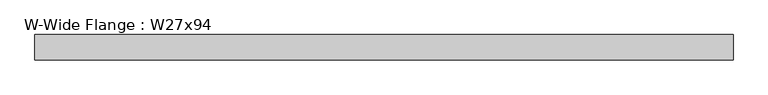
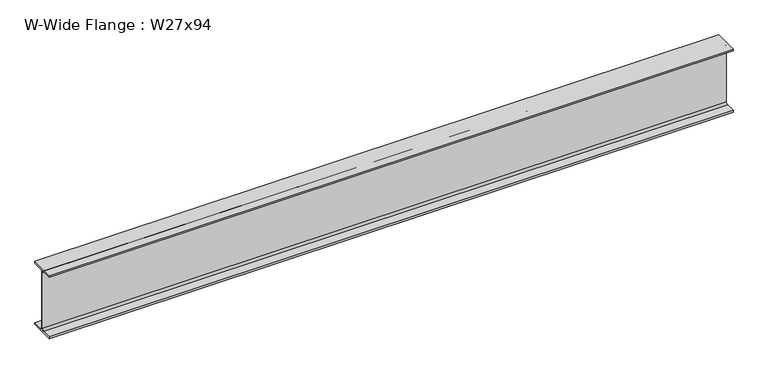
"""IFC4 building model written with IfcOpenShell, lengths in millimetres: beam geometry, W-Wide Flange : W27x94."""

import ifcopenshell
import ifcopenshell.guid

model = None  # the IFC model being written
_history = None  # IfcOwnerHistory: only IFC2X3 demands one
_inside = {}  # id of a spatial element -> (the spatial element, [elements in it])
_under = {}  # id of a project, library or spatial element -> (it, [spatial elements below it])
_declared = {}  # id of a project -> (the project, [libraries it declares])
_typed = {}  # id of a type object -> (the type object, [elements of that type])
_made_of = {}  # id of a material, layer set ... -> (it, [elements and type objects made of it])


def new_model(schema):
    """Start an empty IFC model of exactly this schema.

    Asked for "IFC4X3", IfcOpenShell would pick the latest addendum, in which some entities
    have other attributes; the version numbers below select the first issue.
    IFC2X3 requires an IfcOwnerHistory on every rooted entity: one is made here for all.
    """
    global model, _history
    if schema == "IFC4X3":
        model = ifcopenshell.file(schema_version=(4, 3, 0, 0))
    else:
        model = ifcopenshell.file(schema=schema)
    _inside.clear()
    _under.clear()
    _declared.clear()
    _typed.clear()
    _made_of.clear()
    _history = None
    if model.schema == "IFC2X3":
        org = make("IfcOrganization", Name="unknown")
        user = make(
            "IfcPersonAndOrganization",
            ThePerson=make("IfcPerson", FamilyName="unknown"),
            TheOrganization=org,
        )
        app = make(
            "IfcApplication",
            ApplicationDeveloper=org,
            Version="unknown",
            ApplicationFullName="unknown",
            ApplicationIdentifier="unknown",
        )
        _history = make(
            "IfcOwnerHistory",
            OwningUser=user,
            OwningApplication=app,
            ChangeAction="ADDED",
            CreationDate=0,
        )
    return model


def make(cls, **values):
    """One entity of the class cls with the attributes given. An attribute that is None is left unset."""
    return model.create_entity(
        cls, **{name: value for name, value in values.items() if value is not None}
    )


def rooted(cls, **values):
    """An entity with a GlobalId (a new one), such as an element, a storey or a relation."""
    return make(cls, GlobalId=ifcopenshell.guid.new(), OwnerHistory=_history, **values)


def si_unit(unit_type, name, prefix=None):
    """IfcSIUnit, for example si_unit("LENGTHUNIT", "METRE", prefix="MILLI")."""
    return make("IfcSIUnit", UnitType=unit_type, Prefix=prefix, Name=name)


def assignment(units):
    """IfcUnitAssignment: the units of a project."""
    return None if units is None else make("IfcUnitAssignment", Units=units)


def point(xyz):
    """IfcCartesianPoint."""
    return None if xyz is None else make("IfcCartesianPoint", Coordinates=xyz)


def direction(xyz):
    """IfcDirection."""
    return None if xyz is None else make("IfcDirection", DirectionRatios=xyz)


def frame(location, z_axis=None, x_axis=None):
    """IfcAxis2Placement3D, a coordinate frame: its origin and axes. An axis left out is left unset."""
    return make(
        "IfcAxis2Placement3D",
        Location=point(location),
        Axis=direction(z_axis),
        RefDirection=direction(x_axis),
    )


def frame_2d(location, x_axis=None):
    """IfcAxis2Placement2D, a coordinate frame in the plane: its origin and x axis."""
    return make(
        "IfcAxis2Placement2D", Location=point(location), RefDirection=direction(x_axis)
    )


def origin():
    """The frame at (0, 0, 0) with its axes left unset."""
    return frame((0.0, 0.0, 0.0))


def place(relative_to, where):
    """IfcLocalPlacement: puts the frame where relative to a parent placement (None: the world)."""
    return make(
        "IfcLocalPlacement", PlacementRelTo=relative_to, RelativePlacement=where
    )


def context(
    kind, dimensions, precision=None, world=None, true_north=None, identifier=None
):
    """IfcGeometricRepresentationContext, for example the 3D "Model" context."""
    return make(
        "IfcGeometricRepresentationContext",
        ContextIdentifier=identifier,
        ContextType=kind,
        CoordinateSpaceDimension=dimensions,
        Precision=precision,
        WorldCoordinateSystem=world,
        TrueNorth=true_north,
    )


def project(units=None, contexts=None):
    """IfcProject with its units and contexts."""
    return rooted(
        "IfcProject",
        Name="project",
        RepresentationContexts=contexts,
        UnitsInContext=assignment(units),
    )


def spatial(cls, under=None, at=None, **own):
    """A site, building, storey or space (cls), placed at a placement, below another one or the project."""
    s = rooted(cls, ObjectPlacement=at, **own)
    if under is not None:
        _under.setdefault(under.id(), (under, []))[1].append(s)
    return s


def polyline(points):
    """IfcPolyline through the points."""
    return make("IfcPolyline", Points=[point(p) for p in points])


def circle_curve(where, radius):
    """IfcCircle in the frame where."""
    return make("IfcCircle", Position=where, Radius=radius)


def trimmed(basis, trim1, trim2, sense, master):
    """IfcTrimmedCurve: the piece of a basis curve between two trims."""
    return make(
        "IfcTrimmedCurve",
        BasisCurve=basis,
        Trim1=trim1,
        Trim2=trim2,
        SenseAgreement=sense,
        MasterRepresentation=master,
    )


def segment(curve, same_sense, transition):
    """IfcCompositeCurveSegment."""
    return make(
        "IfcCompositeCurveSegment",
        Transition=transition,
        SameSense=same_sense,
        ParentCurve=curve,
    )


def composite_curve(segments, self_intersect=None):
    """IfcCompositeCurve: segments joined end to end."""
    return make("IfcCompositeCurve", Segments=segments, SelfIntersect=self_intersect)


def outline(outer, holes=None, kind="AREA"):
    """IfcArbitraryClosedProfileDef: a profile drawn as a closed curve; with holes, ...WithVoids."""
    if holes is None:
        return make("IfcArbitraryClosedProfileDef", ProfileType=kind, OuterCurve=outer)
    return make(
        "IfcArbitraryProfileDefWithVoids",
        ProfileType=kind,
        OuterCurve=outer,
        InnerCurves=holes,
    )


def extrude(swept, where, along, depth):
    """IfcExtrudedAreaSolid: the profile swept, set in the frame where, extruded along a direction by depth."""
    return make(
        "IfcExtrudedAreaSolid",
        SweptArea=swept,
        Position=where,
        ExtrudedDirection=direction(along),
        Depth=depth,
    )


def shape(context_of_items, identifier, shape_type, items):
    """IfcShapeRepresentation: the items that make up one representation, for example the "Body"."""
    return make(
        "IfcShapeRepresentation",
        ContextOfItems=context_of_items,
        RepresentationIdentifier=identifier,
        RepresentationType=shape_type,
        Items=items,
    )


def source(mapping_origin, context_of_items, identifier, shape_type, items):
    """IfcRepresentationMap: a shape defined once, which mapped items show again and again."""
    return make(
        "IfcRepresentationMap",
        MappingOrigin=mapping_origin,
        MappedRepresentation=shape(context_of_items, identifier, shape_type, items),
    )


def transform(
    local_origin,
    x_axis=None,
    y_axis=None,
    z_axis=None,
    scale=None,
    scale2=None,
    scale3=None,
    uniform=True,
):
    """IfcCartesianTransformationOperator3D, or its non-uniform kind. x_axis, y_axis, z_axis: its Axis1, 2, 3."""
    if uniform:
        return make(
            "IfcCartesianTransformationOperator3D",
            Axis1=direction(x_axis),
            Axis2=direction(y_axis),
            LocalOrigin=point(local_origin),
            Scale=scale,
            Axis3=direction(z_axis),
        )
    return make(
        "IfcCartesianTransformationOperator3DnonUniform",
        Axis1=direction(x_axis),
        Axis2=direction(y_axis),
        LocalOrigin=point(local_origin),
        Scale=scale,
        Axis3=direction(z_axis),
        Scale2=scale2,
        Scale3=scale3,
    )


def mapped(mapping_source, mapping_target):
    """IfcMappedItem: shows the shape of a source again, moved by a transform."""
    return make(
        "IfcMappedItem", MappingSource=mapping_source, MappingTarget=mapping_target
    )


def made_of(thing, what):
    """Note that an element or type object is made of a material, layer set ...; save() writes the relation."""
    if what is not None:
        _made_of.setdefault(what.id(), (what, []))[1].append(thing)
    return thing


def element(
    cls,
    number,
    at=None,
    inside=None,
    cuts=None,
    type_object=None,
    material=None,
    context=None,
    identifier="Body",
    shape_type=None,
    held_by="IfcProductDefinitionShape",
    body=None,
    shapes=None,
    **own,
):
    """One element of the class cls, such as IfcWall. Its Tag is "e" and its number.

    at: its placement. inside: the storey or other place that contains it. cuts: it is an
    opening in that element (IfcRelVoidsElement). A single representation is given by context,
    identifier, shape_type and body (its items); several are given by shapes. held_by: the class
    of the entity that holds the representations. save() writes the other relations.
    """
    e = rooted(cls, Tag="e%d" % number, ObjectPlacement=at, **own)
    if body is not None:
        shapes = [shape(context, identifier, shape_type, body)]
    if shapes is not None:
        e.Representation = make(held_by, Representations=shapes)
    if inside is not None:
        _inside.setdefault(inside.id(), (inside, []))[1].append(e)
    if cuts is not None:
        rooted(
            "IfcRelVoidsElement", RelatingBuildingElement=cuts, RelatedOpeningElement=e
        )
    if type_object is not None:
        _typed.setdefault(type_object.id(), (type_object, []))[1].append(e)
    return made_of(e, material)


def aggregate(whole, parts):
    """IfcRelAggregates: a whole, such as a stair, and the parts it consists of."""
    return rooted("IfcRelAggregates", RelatingObject=whole, RelatedObjects=parts)


def save(model, path):
    """Write the relations noted so far, then the file.

    IfcRelAggregates (storeys below a building ...), IfcRelContainedInSpatialStructure (elements
    in a storey), IfcRelDefinesByType, IfcRelAssociatesMaterial and IfcRelDeclares: one each for
    every whole, place, type object, material and project.
    """
    for whole, parts in _under.values():
        aggregate(whole, parts)
    for where, things in _inside.values():
        rooted(
            "IfcRelContainedInSpatialStructure",
            RelatedElements=things,
            RelatingStructure=where,
        )
    for kind, things in _typed.values():
        rooted("IfcRelDefinesByType", RelatedObjects=things, RelatingType=kind)
    for what, things in _made_of.values():
        rooted("IfcRelAssociatesMaterial", RelatedObjects=things, RelatingMaterial=what)
    for by, libraries in _declared.values():
        rooted("IfcRelDeclares", RelatingContext=by, RelatedDefinitions=libraries)
    model.write(path)


def w_wide_flange_w27x94_bd9fb821(model_context):
    return source(origin(), model_context, "Body", "SweptSolid", [
        extrude(outline(composite_curve([segment(polyline([(127.0, -322.707), (127.0, -341.63), (-127.0, -341.63), (-127.0, -322.707), (-28.575, -322.707)]), True, "CONTINUOUS"), segment(trimmed(circle_curve(frame_2d((-28.575, -300.355)), 22.352), [point((-28.575, -322.707))], [point((-6.223, -300.355))], True, "CARTESIAN"), True, "CONTINUOUS"), segment(polyline([(-6.223, -300.355), (-6.223, 300.355)]), True, "CONTINUOUS"), segment(trimmed(circle_curve(frame_2d((-28.575, 300.355)), 22.352), [point((-6.223, 300.355))], [point((-28.575, 322.707))], True, "CARTESIAN"), True, "CONTINUOUS"), segment(polyline([(-28.575, 322.707), (-127.0, 322.707), (-127.0, 341.63), (127.0, 341.63), (127.0, 322.707), (28.575, 322.707)]), True, "CONTINUOUS"), segment(trimmed(circle_curve(frame_2d((28.575, 300.355)), 22.352), [point((28.575, 322.707))], [point((6.223, 300.355))], True, "CARTESIAN"), True, "CONTINUOUS"), segment(polyline([(6.223, 300.355), (6.223, -300.355)]), True, "CONTINUOUS"), segment(trimmed(circle_curve(frame_2d((28.575, -300.355)), 22.352), [point((6.223, -300.355))], [point((28.575, -322.707))], True, "CARTESIAN"), True, "CONTINUOUS"), segment(polyline([(28.575, -322.707), (127.0, -322.707)]), True, "CONTINUOUS")], self_intersect=False)), frame((-3488.69, 0.0, 0.0), z_axis=(1.0, 0.0, 0.0), x_axis=(0.0, 1.0, 0.0)), (0.0, 0.0, 1.0), 7004.05),
    ])


if __name__ == "__main__":
    model = new_model("IFC4")
    model_context = context("Model", 3, world=origin())
    ifc_project = project(units=[si_unit("LENGTHUNIT", "METRE", prefix="MILLI")], contexts=[model_context])
    site = spatial("IfcSite", under=ifc_project)
    building = spatial("IfcBuilding", under=site)
    placement = place(None, origin())
    w_wide_flange_w27x94_shape = w_wide_flange_w27x94_bd9fb821(model_context)
    element("IfcBeam", 1, ObjectType="W-Wide Flange : W27x94", at=placement, inside=building, context=model_context, shape_type="MappedRepresentation", body=[
        mapped(w_wide_flange_w27x94_shape, transform((0.0, 0.0, 0.0), x_axis=(1.0, 0.0, 0.0), y_axis=(0.0, 1.0, 0.0), z_axis=(0.0, 0.0, 1.0))),
    ])
    save(model, "model.ifc")
